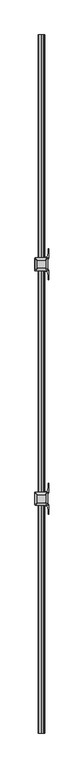
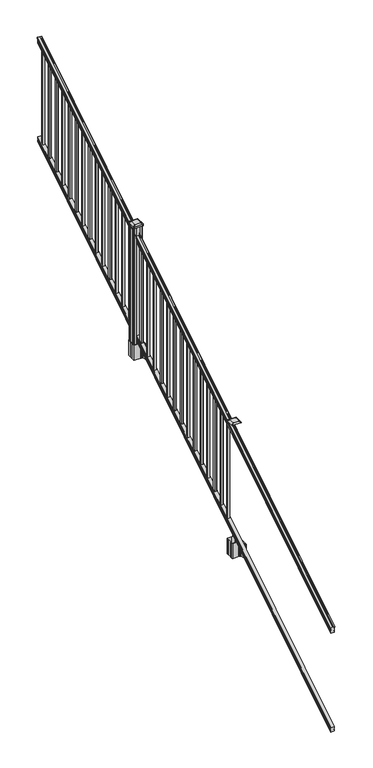
"""IFC4 building model written with IfcOpenShell, lengths in millimetres: railing geometry."""

from ifc_helpers import new_model, si_unit, point, frame, frame_2d, origin, place, context, project, spatial, polyline, circle_curve, ellipse_curve, trimmed, segment, composite_curve, outline, extrude, faceted_brep, source, transform, mapped, element, save
from ifc_brep_helpers import plane_surface, cylinder_surface, revolved_surface, extruded_surface, advanced_brep


def railing_a22fd58b(model_context):
    return source(origin(), model_context, "Body", "SolidModel", [
        advanced_brep(
        [(11578.8754996, -7669.8194681, 1285.6070492), (11581.4493284, -7669.8194681, 1285.6070492), (11581.4493284, -7669.8194681, 1273.0394336), (11580.4333284, -7669.8194681, 1271.841318), (11580.4333284, -7669.8194681, 1257.3), (11612.1833284, -7669.8194681, 1257.3), (11612.1833284, -7669.8194681, 1272.0274214), (11611.1673284, -7669.8194681, 1273.225537), (11611.1673284, -7669.8194681, 1285.6070492), (11613.7411571, -7669.8194681, 1285.6070492), (11613.7411571, -7669.8194681, 1287.8335658), (11614.8713434, -7669.8194681, 1289.6758543), (11614.8713434, -7669.8194681, 1298.1876358), (11614.222087, -7669.8194681, 1301.0572588), (11616.722087, -7669.8194681, 1306.1635509), (11618.1314295, -7669.8194681, 1308.1442021), (11618.5333285, -7669.8194681, 1309.4469579), (11618.5333284, -7669.8194681, 1311.0274846), (11616.9798811, -7669.8194681, 1312.8593836), (11596.3083284, -7669.8194681, 1312.8593836), (11575.6367756, -7669.8194681, 1312.8593836), (11574.0833284, -7669.8194681, 1311.0274846), (11574.0833284, -7669.8194681, 1309.4469579), (11574.4852273, -7669.8194681, 1308.1442021), (11575.8945697, -7669.8194681, 1306.1635509), (11578.3945697, -7669.8194681, 1301.0572588), (11577.7453133, -7669.8194681, 1298.1876358), (11577.7453133, -7669.8194681, 1289.6758543), (11578.8754996, -7669.8194681, 1287.8335658), (11578.8754996, -2793.0194681, 4333.6070492), (11578.8754996, -2793.0194681, 4335.8335658), (11577.7453133, -2793.0194681, 4337.6758543), (11577.7453133, -2793.0194681, 4346.1876358), (11578.3945697, -2793.0194681, 4349.0572588), (11575.8945697, -2793.0194681, 4354.1635509), (11574.4852273, -2793.0194681, 4356.1442021), (11574.0833283, -2793.0194681, 4357.4469579), (11574.0833284, -2793.0194681, 4359.0274846), (11575.6367756, -2793.0194681, 4360.8593836), (11596.3083284, -2793.0194681, 4360.8593836), (11616.9798811, -2793.0194681, 4360.8593836), (11618.5333284, -2793.0194681, 4359.0274846), (11618.5333284, -2793.0194681, 4357.4469579), (11618.1314295, -2793.0194681, 4356.1442021), (11616.722087, -2793.0194681, 4354.1635509), (11614.222087, -2793.0194681, 4349.0572588), (11614.8713434, -2793.0194681, 4346.1876358), (11614.8713434, -2793.0194681, 4337.6758543), (11613.7411571, -2793.0194681, 4335.8335658), (11613.7411571, -2793.0194681, 4333.6070492), (11611.1673284, -2793.0194681, 4333.6070492), (11611.1673284, -2793.0194681, 4321.225537), (11612.1833284, -2793.0194681, 4320.0274214), (11612.1833284, -2793.0194681, 4305.3), (11580.4333284, -2793.0194681, 4305.3), (11580.4333284, -2793.0194681, 4319.841318), (11581.4493284, -2793.0194681, 4321.0394336), (11581.4493284, -2793.0194681, 4333.6070492)],
        [
            (0, 1, ellipse_curve(frame((11580.162414, -7669.8194681, 1285.6070492), z_axis=(0.0, -1.0, 0.0), x_axis=(0.0, 0.0, -1.0)), 1.5175907, 1.2869144)),
            (1, 2),
            (2, 3),
            (3, 4),
            (4, 5),
            (5, 6),
            (6, 7),
            (7, 8),
            (8, 9, ellipse_curve(frame((11612.4542427, -7669.8194681, 1285.6070492), z_axis=(0.0, -1.0, 0.0), x_axis=(0.0, 0.0, -1.0)), 1.5175907, 1.2869144)),
            (9, 10),
            (10, 11, ellipse_curve(frame((11607.4264038, -7669.8194681, 1294.6239405), z_axis=(0.0, -1.0, 0.0), x_axis=(0.0, 0.0, -1.0)), 10.0777926, 8.545951)),
            (11, 12, ellipse_curve(frame((11607.8634668, -7669.8194681, 1293.9317451), z_axis=(0.0, -1.0, 0.0), x_axis=(0.0, 0.0, -1.0)), 9.2955186, 7.882584)),
            (12, 13, ellipse_curve(frame((11618.3767909, -7669.8194681, 1300.8275077), z_axis=(0.0, 1.0, 0.0), x_axis=(0.0, 0.0, 1.0)), 4.9048088, 4.1592695)),
            (13, 14, ellipse_curve(frame((11619.6640975, -7669.8194681, 1300.7563208), z_axis=(0.0, 1.0, 0.0), x_axis=(0.0, 0.0, 1.0)), 6.4245301, 5.4479907)),
            (14, 15, ellipse_curve(frame((11618.430939, -7669.8194681, 1306.1602333), z_axis=(0.0, 1.0, 0.0), x_axis=(0.0, 0.0, 1.0)), 2.0151625, 1.7088543)),
            (15, 16, ellipse_curve(frame((11616.8140389, -7669.8194681, 1309.4469579), z_axis=(0.0, -1.0, 0.0), x_axis=(0.0, 0.0, -1.0)), 2.0274681, 1.7192895)),
            (16, 17),
            (17, 18, ellipse_curve(frame((11616.9798811, -7669.8194681, 1311.0274846), z_axis=(0.0, -1.0, 0.0), x_axis=(0.0, 0.0, -1.0)), 1.831899, 1.5534472)),
            (18, 19),
            (19, 20),
            (20, 21, ellipse_curve(frame((11575.6367756, -7669.8194681, 1311.0274846), z_axis=(0.0, -1.0, 0.0), x_axis=(0.0, 0.0, -1.0)), 1.831899, 1.5534472)),
            (21, 22),
            (22, 23, ellipse_curve(frame((11575.8026178, -7669.8194681, 1309.4469579), z_axis=(0.0, -1.0, 0.0), x_axis=(0.0, 0.0, -1.0)), 2.0274681, 1.7192895)),
            (23, 24, ellipse_curve(frame((11574.1857177, -7669.8194681, 1306.1602333), z_axis=(0.0, 1.0, 0.0), x_axis=(0.0, 0.0, 1.0)), 2.0151625, 1.7088543)),
            (24, 25, ellipse_curve(frame((11572.9525593, -7669.8194681, 1300.7563208), z_axis=(0.0, 1.0, 0.0), x_axis=(0.0, 0.0, 1.0)), 6.4245301, 5.4479907)),
            (25, 26, ellipse_curve(frame((11574.2398658, -7669.8194681, 1300.8275077), z_axis=(0.0, 1.0, 0.0), x_axis=(0.0, 0.0, 1.0)), 4.9048088, 4.1592695)),
            (26, 27, ellipse_curve(frame((11584.75319, -7669.8194681, 1293.9317451), z_axis=(0.0, -1.0, 0.0), x_axis=(0.0, 0.0, -1.0)), 9.2955186, 7.882584)),
            (27, 28, ellipse_curve(frame((11585.1902529, -7669.8194681, 1294.6239405), z_axis=(0.0, -1.0, 0.0), x_axis=(0.0, 0.0, -1.0)), 10.0777926, 8.545951)),
            (28, 0),
            (29, 30),
            (30, 31, ellipse_curve(frame((11585.1902529, -2793.0194681, 4342.6239405), z_axis=(0.0, 1.0, 0.0), x_axis=(0.0, 0.0, -1.0)), 10.0777926, 8.545951)),
            (31, 32, ellipse_curve(frame((11584.75319, -2793.0194681, 4341.9317451), z_axis=(0.0, 1.0, 0.0), x_axis=(0.0, 0.0, -1.0)), 9.2955186, 7.882584)),
            (32, 33, ellipse_curve(frame((11574.2398658, -2793.0194681, 4348.8275077), z_axis=(0.0, -1.0, 0.0), x_axis=(0.0, 0.0, 1.0)), 4.9048088, 4.1592695)),
            (33, 34, ellipse_curve(frame((11572.9525593, -2793.0194681, 4348.7563208), z_axis=(0.0, -1.0, 0.0), x_axis=(0.0, 0.0, 1.0)), 6.4245301, 5.4479907)),
            (34, 35, ellipse_curve(frame((11574.1857177, -2793.0194681, 4354.1602333), z_axis=(0.0, -1.0, 0.0), x_axis=(0.0, 0.0, 1.0)), 2.0151625, 1.7088543)),
            (35, 36, ellipse_curve(frame((11575.8026178, -2793.0194681, 4357.4469579), z_axis=(0.0, 1.0, 0.0), x_axis=(0.0, 0.0, -1.0)), 2.0274681, 1.7192895)),
            (36, 37),
            (37, 38, ellipse_curve(frame((11575.6367756, -2793.0194681, 4359.0274846), z_axis=(0.0, 1.0, 0.0), x_axis=(0.0, 0.0, -1.0)), 1.831899, 1.5534472)),
            (38, 39),
            (39, 40),
            (40, 41, ellipse_curve(frame((11616.9798811, -2793.0194681, 4359.0274846), z_axis=(0.0, 1.0, 0.0), x_axis=(0.0, 0.0, -1.0)), 1.831899, 1.5534472)),
            (41, 42),
            (42, 43, ellipse_curve(frame((11616.8140389, -2793.0194681, 4357.4469579), z_axis=(0.0, 1.0, 0.0), x_axis=(0.0, 0.0, -1.0)), 2.0274681, 1.7192895)),
            (43, 44, ellipse_curve(frame((11618.430939, -2793.0194681, 4354.1602333), z_axis=(0.0, -1.0, 0.0), x_axis=(0.0, 0.0, 1.0)), 2.0151625, 1.7088543)),
            (44, 45, ellipse_curve(frame((11619.6640975, -2793.0194681, 4348.7563208), z_axis=(0.0, -1.0, 0.0), x_axis=(0.0, 0.0, 1.0)), 6.4245301, 5.4479907)),
            (45, 46, ellipse_curve(frame((11618.3767909, -2793.0194681, 4348.8275077), z_axis=(0.0, -1.0, 0.0), x_axis=(0.0, 0.0, 1.0)), 4.9048088, 4.1592695)),
            (46, 47, ellipse_curve(frame((11607.8634668, -2793.0194681, 4341.9317451), z_axis=(0.0, 1.0, 0.0), x_axis=(0.0, 0.0, -1.0)), 9.2955186, 7.882584)),
            (47, 48, ellipse_curve(frame((11607.4264038, -2793.0194681, 4342.6239405), z_axis=(0.0, 1.0, 0.0), x_axis=(0.0, 0.0, -1.0)), 10.0777926, 8.545951)),
            (48, 49),
            (49, 50, ellipse_curve(frame((11612.4542427, -2793.0194681, 4333.6070492), z_axis=(0.0, 1.0, 0.0), x_axis=(0.0, 0.0, -1.0)), 1.5175907, 1.2869144)),
            (50, 51),
            (51, 52),
            (52, 53),
            (53, 54),
            (54, 55),
            (55, 56),
            (56, 57),
            (57, 29, ellipse_curve(frame((11580.162414, -2793.0194681, 4333.6070492), z_axis=(0.0, 1.0, 0.0), x_axis=(0.0, 0.0, -1.0)), 1.5175907, 1.2869144)),
            (28, 30),
            (29, 0),
            (27, 31),
            (26, 32),
            (25, 33),
            (24, 34),
            (23, 35),
            (22, 36),
            (21, 37),
            (20, 38),
            (19, 39),
            (18, 40),
            (17, 41),
            (16, 42),
            (15, 43),
            (14, 44),
            (13, 45),
            (12, 46),
            (11, 47),
            (10, 48),
            (9, 49),
            (8, 50),
            (7, 51),
            (6, 52),
            (5, 53),
            (4, 54),
            (3, 55),
            (2, 56),
            (1, 57),
        ],
        [
            plane_surface(frame((11596.3083284, -7669.8194681, 1257.3), z_axis=(0.0, -1.0, 0.0), x_axis=(0.0, 0.0, 1.0))),
            plane_surface(frame((11596.3083284, -2793.0194681, 4305.3), z_axis=(0.0, 1.0, 0.0), x_axis=(0.0, 0.0, 1.0))),
            plane_surface(frame((11578.8754996, -7669.8194681, 1287.8335658), z_axis=(-1.0000000000000002, 0.0, 0.0), x_axis=(0.0, 0.8479983040051253, 0.5299989400031204))),
            cylinder_surface(frame((11585.1902529, -7686.5942728, 1284.1396876), z_axis=(0.0, -0.8479983040051253, -0.5299989400031204), x_axis=(1.0, 0.0, 0.0)), 8.545951),
            cylinder_surface(frame((11584.75319, -7686.2831737, 1283.641929), z_axis=(0.0, -0.8479983040051253, -0.5299989400031204), x_axis=(1.0, 0.0, 0.0)), 7.882584),
            revolved_surface(polyline([(11578.3991353, -2790.8150596503465, 4350.205262980555), (11578.3991353, -7672.023876549438, 1299.4497524191)]), (11574.2398658, -7689.3823929, 1288.6006797), (0.0, 0.8479983040051253, 0.5299989400031204)),
            revolved_surface(polyline([(11578.40055, -2790.132038835738, 4350.5609640771845), (11578.40055, -7672.7068973528085, 1298.9516775044933)]), (11572.9525593, -7689.3503988, 1288.5494891), (0.0, 0.8479983040051253, 0.5299989400031204)),
            revolved_surface(polyline([(11575.894572000001, -2792.113777099784, 4354.726290199656), (11575.894572000001, -7670.725159122471, 1305.5941764359536)]), (11574.1857177, -7691.7791235, 1292.4354487), (0.0, 0.8479983040051253, 0.5299989400031204)),
            cylinder_surface(frame((11575.8026178, -7693.2563031, 1294.798936), z_axis=(0.0, -0.8479983040051253, -0.5299989400031204), x_axis=(1.0, 0.0, 0.0)), 1.7192895),
            plane_surface(frame((11574.0833284, -7669.8194681, 1311.0274846), z_axis=(-1.0000000000000002, 0.0, 0.0), x_axis=(0.0, 0.8479983040051253, 0.5299989400031204))),
            cylinder_surface(frame((11575.6367756, -7693.9666522, 1295.9354945), z_axis=(0.0, -0.8479983040051253, -0.5299989400031204), x_axis=(1.0, 0.0, 0.0)), 1.5534472),
            plane_surface(frame((11596.3083284, -7669.8194681, 1312.8593836), z_axis=(0.0, -0.5299989400031204, 0.8479983040051253), x_axis=(0.0, 0.8479983040051253, 0.5299989400031204))),
            plane_surface(frame((11616.9798811, -7669.8194681, 1312.8593836), z_axis=(0.0, -0.5299989400031204, 0.8479983040051253), x_axis=(0.0, 0.8479983040051253, 0.5299989400031204))),
            cylinder_surface(frame((11616.9798811, -7693.9666522, 1295.9354945), z_axis=(0.0, -0.8479983040051253, -0.5299989400031204), x_axis=(-1.0, 0.0, 0.0)), 1.5534472),
            plane_surface(frame((11618.5333284, -7669.8194681, 1309.4469579), z_axis=(1.0000000000000002, 0.0, 0.0), x_axis=(0.0, 0.8479983040051253, 0.5299989400031204))),
            cylinder_surface(frame((11616.8140389, -7693.2563031, 1294.798936), z_axis=(0.0, -0.8479983040051253, -0.5299989400031204), x_axis=(-1.0, 0.0, 0.0)), 1.7192895),
            revolved_surface(polyline([(11616.722084699999, -2792.113777099784, 4354.726290199656), (11616.722084699999, -7670.725159122471, 1305.5941764359536)]), (11618.430939, -7691.7791235, 1292.4354487), (0.0, 0.8479983040051253, 0.5299989400031204)),
            revolved_surface(polyline([(11614.216106799999, -2790.132038835738, 4350.5609640771845), (11614.216106799999, -7672.7068973528085, 1298.9516775044933)]), (11619.6640975, -7689.3503988, 1288.5494891), (0.0, 0.8479983040051253, 0.5299989400031204)),
            revolved_surface(polyline([(11614.2175214, -2790.8150596503465, 4350.205262980555), (11614.2175214, -7672.023876549438, 1299.4497524191)]), (11618.3767909, -7689.3823929, 1288.6006797), (0.0, 0.8479983040051253, 0.5299989400031204)),
            cylinder_surface(frame((11607.8634668, -7686.2831737, 1283.641929), z_axis=(0.0, -0.8479983040051253, -0.5299989400031204), x_axis=(-1.0, 0.0, 0.0)), 7.882584),
            cylinder_surface(frame((11607.4264038, -7686.5942728, 1284.1396876), z_axis=(0.0, -0.8479983040051253, -0.5299989400031204), x_axis=(-1.0, 0.0, 0.0)), 8.545951),
            plane_surface(frame((11613.7411571, -7669.8194681, 1285.6070492), z_axis=(1.0, 0.0, 0.0), x_axis=(0.0, 0.8479983040051253, 0.5299989400031203))),
            cylinder_surface(frame((11612.4542427, -7682.5417374, 1277.6556309), z_axis=(0.0, -0.8479983040051253, -0.5299989400031204), x_axis=(-1.0, 0.0, 0.0)), 1.2869144),
            plane_surface(frame((11611.1673284, -7669.8194681, 1273.225537), z_axis=(1.0, 0.0, 0.0), x_axis=(0.0, 0.8479983040051252, 0.5299989400031205))),
            plane_surface(frame((11612.1833284, -7669.8194681, 1272.0274214), z_axis=(0.7071067811865426, -0.37476584449789224, 0.5996253511967193), x_axis=(0.0, 0.8479983040051253, 0.5299989400031204))),
            plane_surface(frame((11612.1833284, -7669.8194681, 1257.3), z_axis=(1.0000000000000002, 0.0, 0.0), x_axis=(0.0, 0.8479983040051253, 0.5299989400031204))),
            plane_surface(frame((11580.4333284, -7669.8194681, 1257.3), z_axis=(0.0, 0.5299989400031204, -0.8479983040051253), x_axis=(0.0, 0.8479983040051253, 0.5299989400031204))),
            plane_surface(frame((11580.4333284, -7669.8194681, 1271.841318), z_axis=(-1.0000000000000002, 0.0, 0.0), x_axis=(0.0, 0.8479983040051253, 0.5299989400031204))),
            plane_surface(frame((11581.4493284, -7669.8194681, 1273.0394336), z_axis=(-0.7071067811865404, -0.3747658444978917, 0.5996253511967224), x_axis=(0.0, 0.8479983040051253, 0.5299989400031204))),
            plane_surface(frame((11581.4493284, -7669.8194681, 1285.6070492), z_axis=(-1.0000000000000002, 0.0, 0.0), x_axis=(0.0, 0.8479983040051253, 0.5299989400031204))),
            cylinder_surface(frame((11580.162414, -7682.5417374, 1277.6556309), z_axis=(0.0, -0.8479983040051253, -0.5299989400031204), x_axis=(1.0, 0.0, 0.0)), 1.2869144),
        ],
        [
            (0, [[1, 2, 3, 4, 5, 6, 7, 8, 9, 10, 11, 12, 13, 14, 15, 16, 17, 18, 19, 20, 21, 22, 23, 24, 25, 26, 27, 28, 29]]),
            (1, [[30, 31, 32, 33, 34, 35, 36, 37, 38, 39, 40, 41, 42, 43, 44, 45, 46, 47, 48, 49, 50, 51, 52, 53, 54, 55, 56, 57, 58]]),
            (2, [[-29, 59, -30, 60]]),
            (3, [[-28, 61, -31, -59]]),
            (4, [[-27, 62, -32, -61]]),
            (5, [[-26, 63, -33, -62]]),
            (6, [[-25, 64, -34, -63]]),
            (7, [[-24, 65, -35, -64]]),
            (8, [[-23, 66, -36, -65]]),
            (9, [[-22, 67, -37, -66]]),
            (10, [[-21, 68, -38, -67]]),
            (11, [[-20, 69, -39, -68]]),
            (12, [[-19, 70, -40, -69]]),
            (13, [[-18, 71, -41, -70]]),
            (14, [[-17, 72, -42, -71]]),
            (15, [[-16, 73, -43, -72]]),
            (16, [[-15, 74, -44, -73]]),
            (17, [[-14, 75, -45, -74]]),
            (18, [[-13, 76, -46, -75]]),
            (19, [[-12, 77, -47, -76]]),
            (20, [[-11, 78, -48, -77]]),
            (21, [[-10, 79, -49, -78]]),
            (22, [[-9, 80, -50, -79]]),
            (23, [[-8, 81, -51, -80]]),
            (24, [[-7, 82, -52, -81]]),
            (25, [[-6, 83, -53, -82]]),
            (26, [[-5, 84, -54, -83]]),
            (27, [[-4, 85, -55, -84]]),
            (28, [[-3, 86, -56, -85]]),
            (29, [[-2, 87, -57, -86]]),
            (30, [[-1, -60, -58, -87]]),
        ],
    ),
        faceted_brep([(11580.3958415, -7669.8194681, 268.8045079), (11580.3958415, -7669.8194681, 254.0), (11612.1458415, -7669.8194681, 254.0), (11612.1458415, -7669.8194681, 268.7848772), (11611.1298415, -7669.8194681, 270.3748303), (11611.1298415, -7669.8194681, 282.5348741), (11612.1458415, -7669.8194681, 284.1248272), (11612.1458415, -7669.8194681, 298.9244744), (11580.3958415, -7669.8194681, 298.9244744), (11580.3958415, -7669.8194681, 284.1444579), (11581.4118415, -7669.8194681, 282.5545048), (11581.4118415, -7669.8194681, 270.338026), (11580.3958415, -2793.0194681, 3316.8045079), (11581.4118415, -2793.0194681, 3318.338026), (11581.4118415, -2793.0194681, 3330.5545048), (11580.3958415, -2793.0194681, 3332.1444579), (11580.3958415, -2793.0194681, 3346.9244744), (11612.1458415, -2793.0194681, 3346.9244744), (11612.1458415, -2793.0194681, 3332.1248272), (11611.1298415, -2793.0194681, 3330.5348741), (11611.1298415, -2793.0194681, 3318.3748303), (11612.1458415, -2793.0194681, 3316.7848772), (11612.1458415, -2793.0194681, 3302.0), (11580.3958415, -2793.0194681, 3302.0)], [[[0, 1, 2, 3, 4, 5, 6, 7, 8, 9, 10, 11]], [[12, 13, 14, 15, 16, 17, 18, 19, 20, 21, 22, 23]], [[0, 11, 13, 12]], [[11, 10, 14, 13]], [[10, 9, 15, 14]], [[9, 8, 16, 15]], [[8, 7, 17, 16]], [[7, 6, 18, 17]], [[6, 5, 19, 18]], [[5, 4, 20, 19]], [[4, 3, 21, 20]], [[3, 2, 22, 21]], [[2, 1, 23, 22]], [[1, 0, 12, 23]]]),
        extrude(outline(polyline([(11586.7833284, -2862.9964681), (11586.7833284, -2843.9464681), (11605.8333284, -2843.9464681), (11605.8333284, -2862.9964681), (11586.7833284, -2862.9964681)]), holes=[polyline([(11587.1802034, -2862.5995931), (11605.4364534, -2862.5995931), (11605.4364534, -2844.3433431), (11587.1802034, -2844.3433431), (11587.1802034, -2862.5995931)])]), frame((0.0, 0.0, 3302.3133781), z_axis=(0.0, 0.0, 1.0), x_axis=(1.0, 0.0, 0.0)), (0.0, 0.0, 1.0), 965.2041219),
        extrude(outline(polyline([(11586.7833284, -2974.2484681), (11586.7833284, -2955.1984681), (11605.8333284, -2955.1984681), (11605.8333284, -2974.2484681), (11586.7833284, -2974.2484681)]), holes=[polyline([(11587.1802034, -2973.8515931), (11605.4364534, -2973.8515931), (11605.4364534, -2955.5953431), (11587.1802034, -2955.5953431), (11587.1802034, -2973.8515931)])]), frame((0.0, 0.0, 3232.7808781), z_axis=(0.0, 0.0, 1.0), x_axis=(1.0, 0.0, 0.0)), (0.0, 0.0, 1.0), 965.2041219),
        extrude(outline(polyline([(11586.7833284, -3085.5004681), (11586.7833284, -3066.4504681), (11605.8333284, -3066.4504681), (11605.8333284, -3085.5004681), (11586.7833284, -3085.5004681)]), holes=[polyline([(11587.1802034, -3085.1035931), (11605.4364534, -3085.1035931), (11605.4364534, -3066.8473431), (11587.1802034, -3066.8473431), (11587.1802034, -3085.1035931)])]), frame((0.0, 0.0, 3163.2483781), z_axis=(0.0, 0.0, 1.0), x_axis=(1.0, 0.0, 0.0)), (0.0, 0.0, 1.0), 965.2041219),
        extrude(outline(polyline([(11586.7833284, -3196.7524681), (11586.7833284, -3177.7024681), (11605.8333284, -3177.7024681), (11605.8333284, -3196.7524681), (11586.7833284, -3196.7524681)]), holes=[polyline([(11587.1802034, -3196.3555931), (11605.4364534, -3196.3555931), (11605.4364534, -3178.0993431), (11587.1802034, -3178.0993431), (11587.1802034, -3196.3555931)])]), frame((0.0, 0.0, 3093.7158781), z_axis=(0.0, 0.0, 1.0), x_axis=(1.0, 0.0, 0.0)), (0.0, 0.0, 1.0), 965.2041219),
        extrude(outline(polyline([(11586.7833284, -3308.0044681), (11586.7833284, -3288.9544681), (11605.8333284, -3288.9544681), (11605.8333284, -3308.0044681), (11586.7833284, -3308.0044681)]), holes=[polyline([(11587.1802034, -3307.6075931), (11605.4364534, -3307.6075931), (11605.4364534, -3289.3513431), (11587.1802034, -3289.3513431), (11587.1802034, -3307.6075931)])]), frame((0.0, 0.0, 3024.1833781), z_axis=(0.0, 0.0, 1.0), x_axis=(1.0, 0.0, 0.0)), (0.0, 0.0, 1.0), 965.2041219),
        extrude(outline(polyline([(11586.7833284, -3419.2564681), (11586.7833284, -3400.2064681), (11605.8333284, -3400.2064681), (11605.8333284, -3419.2564681), (11586.7833284, -3419.2564681)]), holes=[polyline([(11587.1802034, -3418.8595931), (11605.4364534, -3418.8595931), (11605.4364534, -3400.6033431), (11587.1802034, -3400.6033431), (11587.1802034, -3418.8595931)])]), frame((0.0, 0.0, 2954.6508781), z_axis=(0.0, 0.0, 1.0), x_axis=(1.0, 0.0, 0.0)), (0.0, 0.0, 1.0), 965.2041219),
        extrude(outline(polyline([(11586.7833284, -3530.5084681), (11586.7833284, -3511.4584681), (11605.8333284, -3511.4584681), (11605.8333284, -3530.5084681), (11586.7833284, -3530.5084681)]), holes=[polyline([(11587.1802034, -3530.1115931), (11605.4364534, -3530.1115931), (11605.4364534, -3511.8553431), (11587.1802034, -3511.8553431), (11587.1802034, -3530.1115931)])]), frame((0.0, 0.0, 2885.1183781), z_axis=(0.0, 0.0, 1.0), x_axis=(1.0, 0.0, 0.0)), (0.0, 0.0, 1.0), 965.2041219),
        extrude(outline(polyline([(11586.7833284, -3641.7604681), (11586.7833284, -3622.7104681), (11605.8333284, -3622.7104681), (11605.8333284, -3641.7604681), (11586.7833284, -3641.7604681)]), holes=[polyline([(11587.1802034, -3641.3635931), (11605.4364534, -3641.3635931), (11605.4364534, -3623.1073431), (11587.1802034, -3623.1073431), (11587.1802034, -3641.3635931)])]), frame((0.0, 0.0, 2815.5858781), z_axis=(0.0, 0.0, 1.0), x_axis=(1.0, 0.0, 0.0)), (0.0, 0.0, 1.0), 965.2041219),
        extrude(outline(polyline([(11586.7833284, -3753.0124681), (11586.7833284, -3733.9624681), (11605.8333284, -3733.9624681), (11605.8333284, -3753.0124681), (11586.7833284, -3753.0124681)]), holes=[polyline([(11587.1802034, -3752.6155931), (11605.4364534, -3752.6155931), (11605.4364534, -3734.3593431), (11587.1802034, -3734.3593431), (11587.1802034, -3752.6155931)])]), frame((0.0, 0.0, 2746.0533781), z_axis=(0.0, 0.0, 1.0), x_axis=(1.0, 0.0, 0.0)), (0.0, 0.0, 1.0), 965.2041219),
        extrude(outline(polyline([(11586.7833284, -3864.2644681), (11586.7833284, -3845.2144681), (11605.8333284, -3845.2144681), (11605.8333284, -3864.2644681), (11586.7833284, -3864.2644681)]), holes=[polyline([(11587.1802034, -3863.8675931), (11605.4364534, -3863.8675931), (11605.4364534, -3845.6113431), (11587.1802034, -3845.6113431), (11587.1802034, -3863.8675931)])]), frame((0.0, 0.0, 2676.5208781), z_axis=(0.0, 0.0, 1.0), x_axis=(1.0, 0.0, 0.0)), (0.0, 0.0, 1.0), 965.2041219),
        extrude(outline(polyline([(11586.7833284, -3975.5164681), (11586.7833284, -3956.4664681), (11605.8333284, -3956.4664681), (11605.8333284, -3975.5164681), (11586.7833284, -3975.5164681)]), holes=[polyline([(11587.1802034, -3975.1195931), (11605.4364534, -3975.1195931), (11605.4364534, -3956.8633431), (11587.1802034, -3956.8633431), (11587.1802034, -3975.1195931)])]), frame((0.0, 0.0, 2606.9883781), z_axis=(0.0, 0.0, 1.0), x_axis=(1.0, 0.0, 0.0)), (0.0, 0.0, 1.0), 965.2041219),
        extrude(outline(polyline([(11586.7833284, -4086.7684681), (11586.7833284, -4067.7184681), (11605.8333284, -4067.7184681), (11605.8333284, -4086.7684681), (11586.7833284, -4086.7684681)]), holes=[polyline([(11587.1802034, -4086.3715931), (11605.4364534, -4086.3715931), (11605.4364534, -4068.1153431), (11587.1802034, -4068.1153431), (11587.1802034, -4086.3715931)])]), frame((0.0, 0.0, 2537.4558781), z_axis=(0.0, 0.0, 1.0), x_axis=(1.0, 0.0, 0.0)), (0.0, 0.0, 1.0), 965.2041219),
        extrude(outline(polyline([(11586.7833284, -4198.0204681), (11586.7833284, -4178.9704681), (11605.8333284, -4178.9704681), (11605.8333284, -4198.0204681), (11586.7833284, -4198.0204681)]), holes=[polyline([(11587.1802034, -4197.6235931), (11605.4364534, -4197.6235931), (11605.4364534, -4179.3673431), (11587.1802034, -4179.3673431), (11587.1802034, -4197.6235931)])]), frame((0.0, 0.0, 2467.9233781), z_axis=(0.0, 0.0, 1.0), x_axis=(1.0, 0.0, 0.0)), (0.0, 0.0, 1.0), 965.2041219),
        extrude(outline(polyline([(11586.7833284, -4309.2724681), (11586.7833284, -4290.2224681), (11605.8333284, -4290.2224681), (11605.8333284, -4309.2724681), (11586.7833284, -4309.2724681)]), holes=[polyline([(11587.1802034, -4308.8755931), (11605.4364534, -4308.8755931), (11605.4364534, -4290.6193431), (11587.1802034, -4290.6193431), (11587.1802034, -4308.8755931)])]), frame((0.0, 0.0, 2398.3908781), z_axis=(0.0, 0.0, 1.0), x_axis=(1.0, 0.0, 0.0)), (0.0, 0.0, 1.0), 965.2041219),
        extrude(outline(composite_curve([segment(polyline([(11553.5728284, -4412.637563), (11553.5728284, -4377.8653732), (11551.9853284, -4377.1033732), (11551.9853284, -4354.3014452), (11555.3583054, -4350.9284681), (11616.8179763, -4350.9284681), (11616.8179763, -4350.0077181), (11622.1355201, -4350.0077181), (11622.1355201, -4348.5534634), (11627.2200498, -4348.5534634), (11627.2200498, -4347.2694396), (11628.8873221, -4347.2694396)]), True, "CONTINUOUS"), segment(trimmed(circle_curve(frame_2d((11628.8873221, -4340.2099797)), 7.0594599), [point((11628.8873221, -4347.2694396))], [point((11635.6545849, -4342.2199864))], True, "CARTESIAN"), True, "CONTINUOUS"), segment(polyline([(11635.6545849, -4342.2199864), (11643.5287792, -4315.7092573)]), True, "CONTINUOUS"), segment(trimmed(circle_curve(frame_2d((11588.7442659, -4299.4372076)), 57.15), [point((11643.5287792, -4315.7092573))], [point((11645.8942659, -4299.4372076))], True, "CARTESIAN"), True, "CONTINUOUS"), segment(polyline([(11645.8942659, -4299.4372076), (11645.8942659, -4287.4284681), (11648.8942659, -4287.4284681), (11648.8942659, -4352.5159681), (11640.6313284, -4363.8542594), (11640.6313284, -4377.1033732), (11639.0438284, -4377.8653732), (11639.0438284, -4412.637563), (11640.6313284, -4413.399563), (11640.6313284, -4426.6486768), (11648.8942659, -4437.9869681), (11648.8942659, -4503.0744681), (11645.8942659, -4503.0744681), (11645.8942659, -4491.0657285)]), True, "CONTINUOUS"), segment(trimmed(circle_curve(frame_2d((11588.7442659, -4491.0657285)), 57.15), [point((11645.8942659, -4491.0657285))], [point((11643.5287792, -4474.7936789))], True, "CARTESIAN"), True, "CONTINUOUS"), segment(polyline([(11643.5287792, -4474.7936789), (11635.6545849, -4448.2829498)]), True, "CONTINUOUS"), segment(trimmed(circle_curve(frame_2d((11628.8873221, -4450.2929565)), 7.0594599), [point((11635.6545849, -4448.2829498))], [point((11628.8873221, -4443.2334966))], True, "CARTESIAN"), True, "CONTINUOUS"), segment(polyline([(11628.8873221, -4443.2334966), (11627.2200498, -4443.2334966), (11627.2200498, -4441.9494728), (11622.1355201, -4441.9494728), (11622.1355201, -4440.4952181), (11616.8179763, -4440.4952181), (11616.8179763, -4439.5744681), (11555.3583054, -4439.5744681), (11551.9853284, -4436.201491), (11551.9853284, -4413.399563), (11553.5728284, -4412.637563)]), True, "CONTINUOUS")], self_intersect=False), holes=[polyline([(11637.5833284, -4355.5639681), (11635.9958284, -4353.9764681), (11599.0715458, -4353.9764681), (11556.6208284, -4353.9764681), (11555.0333284, -4355.5639681), (11555.0333284, -4434.9389681), (11556.6208284, -4436.5264681), (11599.0715458, -4436.5264681), (11635.9958284, -4436.5264681), (11637.5833284, -4434.9389681), (11637.5833284, -4355.5639681)])]), frame((0.0, 0.0, 2084.705), z_axis=(0.0, 0.0, 1.0), x_axis=(1.0, 0.0, 0.0)), (0.0, 0.0, 1.0), 152.4),
        advanced_brep(
        [(11622.1052034, -4424.2233431, 3449.444263), (11625.2802034, -4421.0483431, 3449.444263), (11625.2802034, -4369.4545931, 3449.444263), (11622.1052034, -4366.2795931, 3449.444263), (11570.5114534, -4366.2795931, 3449.444263), (11567.3364534, -4369.4545931, 3449.444263), (11567.3364534, -4421.0483431, 3449.444263), (11570.5114534, -4424.2233431, 3449.444263), (11638.3770784, -4440.4952181, 3438.141263), (11554.2395784, -4440.4952181, 3438.141263), (11551.0645784, -4437.3202181, 3438.141263), (11551.0645784, -4353.1827181, 3438.141263), (11554.2395784, -4350.0077181, 3438.141263), (11638.3770784, -4350.0077181, 3438.141263), (11641.5520784, -4353.1827181, 3438.141263), (11641.5520784, -4437.3202181, 3438.141263)],
        [
            (0, 1, circle_curve(frame((11622.1052034, -4421.0483431, 3449.444263), z_axis=(0.0, 0.0, 1.0), x_axis=(0.0, 1.0, 0.0)), 3.175)),
            (1, 2),
            (2, 3, circle_curve(frame((11622.1052034, -4369.4545931, 3449.444263), z_axis=(0.0, 0.0, 1.0), x_axis=(0.0, 1.0, 0.0)), 3.175)),
            (3, 4),
            (4, 5, circle_curve(frame((11570.5114534, -4369.4545931, 3449.444263), z_axis=(0.0, 0.0, 1.0), x_axis=(0.0, 1.0, 0.0)), 3.175)),
            (5, 6),
            (6, 7, circle_curve(frame((11570.5114534, -4421.0483431, 3449.444263), z_axis=(0.0, 0.0, 1.0), x_axis=(0.0, 1.0, 0.0)), 3.175)),
            (7, 0),
            (8, 9),
            (9, 10, circle_curve(frame((11554.2395784, -4437.3202181, 3438.141263), z_axis=(0.0, 0.0, -1.0), x_axis=(0.0, 1.0, 0.0)), 3.175)),
            (10, 11),
            (11, 12, circle_curve(frame((11554.2395784, -4353.1827181, 3438.141263), z_axis=(0.0, 0.0, -1.0), x_axis=(0.0, 1.0, 0.0)), 3.175)),
            (12, 13),
            (13, 14, circle_curve(frame((11638.3770784, -4353.1827181, 3438.141263), z_axis=(0.0, 0.0, -1.0), x_axis=(0.0, 1.0, 0.0)), 3.175)),
            (14, 15),
            (15, 8, circle_curve(frame((11638.3770784, -4437.3202181, 3438.141263), z_axis=(0.0, 0.0, -1.0), x_axis=(0.0, 1.0, 0.0)), 3.175)),
            (15, 1),
            (0, 8),
            (14, 2),
            (13, 3),
            (12, 4),
            (11, 5),
            (10, 6),
            (9, 7),
        ],
        [
            plane_surface(frame((11596.3083284, -4395.2514681, 3449.444263), z_axis=(0.0, 0.0, 1.0), x_axis=(1.0, 0.0, 0.0))),
            plane_surface(frame((11596.3083284, -4395.2514681, 3438.141263), z_axis=(0.0, 0.0, -1.0), x_axis=(1.0, 0.0, 0.0))),
            extruded_surface(trimmed(circle_curve(frame((11638.3770784, -4437.3202181, 3438.141263), z_axis=(0.0, 0.0, 1.0), x_axis=(0.0, 1.0, 0.0)), 3.175), [point((11638.3770784, -4440.4952181, 3438.141263))], [point((11641.5520784, -4437.3202181, 3438.141263))], True, "CARTESIAN"), (-16.271875000000364, 16.271874999999454, 11.302999999999884), 25.637972638865996),
            plane_surface(frame((11641.5520784, -4395.2514681, 3438.141263), z_axis=(0.5705009161540778, 0.0, 0.8212969649690408), x_axis=(0.0, 1.0, 0.0))),
            extruded_surface(trimmed(circle_curve(frame((11638.3770784, -4353.1827181, 3438.141263), z_axis=(0.0, 0.0, 1.0), x_axis=(0.0, 1.0, 0.0)), 3.175), [point((11641.5520784, -4353.1827181, 3438.141263))], [point((11638.3770784, -4350.0077181, 3438.141263))], True, "CARTESIAN"), (-16.271875000000364, -16.271875000000364, 11.302999999999884), 25.63797263886657),
            plane_surface(frame((11596.3083284, -4350.0077181, 3438.141263), z_axis=(0.0, 0.5705009161540291, 0.8212969649690747), x_axis=(-1.0, 0.0, 0.0))),
            extruded_surface(trimmed(circle_curve(frame((11554.2395784, -4353.1827181, 3438.141263), z_axis=(0.0, 0.0, 1.0), x_axis=(0.0, 1.0, 0.0)), 3.175), [point((11554.2395784, -4350.0077181, 3438.141263))], [point((11551.0645784, -4353.1827181, 3438.141263))], True, "CARTESIAN"), (16.271875000000364, -16.271875000000364, 11.302999999999884), 25.63797263886657),
            plane_surface(frame((11551.0645784, -4395.2514681, 3438.141263), z_axis=(-0.5705009161540142, 0.0, 0.8212969649690851), x_axis=(0.0, -1.0, 0.0))),
            extruded_surface(trimmed(circle_curve(frame((11554.2395784, -4437.3202181, 3438.141263), z_axis=(0.0, 0.0, 1.0), x_axis=(0.0, 1.0, 0.0)), 3.175), [point((11551.0645784, -4437.3202181, 3438.141263))], [point((11554.2395784, -4440.4952181, 3438.141263))], True, "CARTESIAN"), (16.271875000000364, 16.271874999999454, 11.302999999999884), 25.637972638865996),
            plane_surface(frame((11596.3083284, -4440.4952181, 3438.141263), z_axis=(0.0, -0.570500916154034, 0.8212969649690713), x_axis=(1.0, 0.0, 0.0))),
        ],
        [
            (0, [[1, 2, 3, 4, 5, 6, 7, 8]]),
            (1, [[9, 10, 11, 12, 13, 14, 15, 16]]),
            (2, [[-16, 17, -1, 18]]),
            (3, [[-15, 19, -2, -17]]),
            (4, [[-14, 20, -3, -19]]),
            (5, [[-13, 21, -4, -20]]),
            (6, [[-12, 22, -5, -21]]),
            (7, [[-11, 23, -6, -22]]),
            (8, [[-10, 24, -7, -23]]),
            (9, [[-9, -18, -8, -24]]),
        ],
    ),
        extrude(outline(composite_curve([segment(polyline([(11638.3770784, -4440.4952181), (11554.2395784, -4440.4952181)]), True, "CONTINUOUS"), segment(trimmed(circle_curve(frame_2d((11554.2395784, -4437.3202181)), 3.175), [point((11554.2395784, -4440.4952181))], [point((11551.0645784, -4437.3202181))], False, "CARTESIAN"), True, "CONTINUOUS"), segment(polyline([(11551.0645784, -4437.3202181), (11551.0645784, -4353.1827181)]), True, "CONTINUOUS"), segment(trimmed(circle_curve(frame_2d((11554.2395784, -4353.1827181)), 3.175), [point((11551.0645784, -4353.1827181))], [point((11554.2395784, -4350.0077181))], False, "CARTESIAN"), True, "CONTINUOUS"), segment(polyline([(11554.2395784, -4350.0077181), (11638.3770784, -4350.0077181)]), True, "CONTINUOUS"), segment(trimmed(circle_curve(frame_2d((11638.3770784, -4353.1827181)), 3.175), [point((11638.3770784, -4350.0077181))], [point((11641.5520784, -4353.1827181))], False, "CARTESIAN"), True, "CONTINUOUS"), segment(polyline([(11641.5520784, -4353.1827181), (11641.5520784, -4437.3202181)]), True, "CONTINUOUS"), segment(trimmed(circle_curve(frame_2d((11638.3770784, -4437.3202181)), 3.175), [point((11641.5520784, -4437.3202181))], [point((11638.3770784, -4440.4952181))], False, "CARTESIAN"), True, "CONTINUOUS")], self_intersect=False)), frame((0.0, 0.0, 3420.869263), z_axis=(0.0, 0.0, 1.0), x_axis=(1.0, 0.0, 0.0)), (0.0, 0.0, 1.0), 17.272),
        extrude(outline(polyline([(11635.9958284, -4436.5264681), (11616.3743284, -4436.5264681), (11615.6123284, -4434.9389681), (11577.0043284, -4434.9389681), (11576.2423284, -4436.5264681), (11556.6208284, -4436.5264681), (11555.0333284, -4434.9389681), (11555.0333284, -4415.3174681), (11556.6208284, -4414.5554681), (11556.6208284, -4375.9474681), (11555.0333284, -4375.1854681), (11555.0333284, -4355.5639681), (11556.6208284, -4353.9764681), (11576.2423284, -4353.9764681), (11577.0043284, -4355.5639681), (11615.6123284, -4355.5639681), (11616.3743284, -4353.9764681), (11635.9958284, -4353.9764681), (11637.5833284, -4355.5639681), (11637.5833284, -4375.1854681), (11635.9958284, -4375.9474681), (11635.9958284, -4414.5554681), (11637.5833284, -4415.3174681), (11637.5833284, -4434.9389681), (11635.9958284, -4436.5264681)])), frame((0.0, 0.0, 2237.105), z_axis=(0.0, 0.0, 1.0), x_axis=(1.0, 0.0, 0.0)), (0.0, 0.0, 1.0), 1183.764263),
        extrude(outline(polyline([(11586.7833284, -4500.2804681), (11586.7833284, -4481.2304681), (11605.8333284, -4481.2304681), (11605.8333284, -4500.2804681), (11586.7833284, -4500.2804681)]), holes=[polyline([(11587.1802034, -4499.8835931), (11605.4364534, -4499.8835931), (11605.4364534, -4481.6273431), (11587.1802034, -4481.6273431), (11587.1802034, -4499.8835931)])]), frame((0.0, 0.0, 2279.0108781), z_axis=(0.0, 0.0, 1.0), x_axis=(1.0, 0.0, 0.0)), (0.0, 0.0, 1.0), 965.2041219),
        extrude(outline(polyline([(11586.7833284, -4611.5324681), (11586.7833284, -4592.4824681), (11605.8333284, -4592.4824681), (11605.8333284, -4611.5324681), (11586.7833284, -4611.5324681)]), holes=[polyline([(11587.1802034, -4611.1355931), (11605.4364534, -4611.1355931), (11605.4364534, -4592.8793431), (11587.1802034, -4592.8793431), (11587.1802034, -4611.1355931)])]), frame((0.0, 0.0, 2209.4783781), z_axis=(0.0, 0.0, 1.0), x_axis=(1.0, 0.0, 0.0)), (0.0, 0.0, 1.0), 965.2041219),
        extrude(outline(polyline([(11586.7833284, -4722.7844681), (11586.7833284, -4703.7344681), (11605.8333284, -4703.7344681), (11605.8333284, -4722.7844681), (11586.7833284, -4722.7844681)]), holes=[polyline([(11587.1802034, -4722.3875931), (11605.4364534, -4722.3875931), (11605.4364534, -4704.1313431), (11587.1802034, -4704.1313431), (11587.1802034, -4722.3875931)])]), frame((0.0, 0.0, 2139.9458781), z_axis=(0.0, 0.0, 1.0), x_axis=(1.0, 0.0, 0.0)), (0.0, 0.0, 1.0), 965.2041219),
        extrude(outline(polyline([(11586.7833284, -4834.0364681), (11586.7833284, -4814.9864681), (11605.8333284, -4814.9864681), (11605.8333284, -4834.0364681), (11586.7833284, -4834.0364681)]), holes=[polyline([(11587.1802034, -4833.6395931), (11605.4364534, -4833.6395931), (11605.4364534, -4815.3833431), (11587.1802034, -4815.3833431), (11587.1802034, -4833.6395931)])]), frame((0.0, 0.0, 2070.4133781), z_axis=(0.0, 0.0, 1.0), x_axis=(1.0, 0.0, 0.0)), (0.0, 0.0, 1.0), 965.2041219),
        extrude(outline(polyline([(11586.7833284, -4945.2884681), (11586.7833284, -4926.2384681), (11605.8333284, -4926.2384681), (11605.8333284, -4945.2884681), (11586.7833284, -4945.2884681)]), holes=[polyline([(11587.1802034, -4944.8915931), (11605.4364534, -4944.8915931), (11605.4364534, -4926.6353431), (11587.1802034, -4926.6353431), (11587.1802034, -4944.8915931)])]), frame((0.0, 0.0, 2000.8808781), z_axis=(0.0, 0.0, 1.0), x_axis=(1.0, 0.0, 0.0)), (0.0, 0.0, 1.0), 965.2041219),
        extrude(outline(polyline([(11586.7833284, -5056.5404681), (11586.7833284, -5037.4904681), (11605.8333284, -5037.4904681), (11605.8333284, -5056.5404681), (11586.7833284, -5056.5404681)]), holes=[polyline([(11587.1802034, -5056.1435931), (11605.4364534, -5056.1435931), (11605.4364534, -5037.8873431), (11587.1802034, -5037.8873431), (11587.1802034, -5056.1435931)])]), frame((0.0, 0.0, 1931.3483781), z_axis=(0.0, 0.0, 1.0), x_axis=(1.0, 0.0, 0.0)), (0.0, 0.0, 1.0), 965.2041219),
        extrude(outline(polyline([(11586.7833284, -5167.7924681), (11586.7833284, -5148.7424681), (11605.8333284, -5148.7424681), (11605.8333284, -5167.7924681), (11586.7833284, -5167.7924681)]), holes=[polyline([(11587.1802034, -5167.3955931), (11605.4364534, -5167.3955931), (11605.4364534, -5149.1393431), (11587.1802034, -5149.1393431), (11587.1802034, -5167.3955931)])]), frame((0.0, 0.0, 1861.8158781), z_axis=(0.0, 0.0, 1.0), x_axis=(1.0, 0.0, 0.0)), (0.0, 0.0, 1.0), 965.2041219),
        extrude(outline(polyline([(11586.7833284, -5279.0444681), (11586.7833284, -5259.9944681), (11605.8333284, -5259.9944681), (11605.8333284, -5279.0444681), (11586.7833284, -5279.0444681)]), holes=[polyline([(11587.1802034, -5278.6475931), (11605.4364534, -5278.6475931), (11605.4364534, -5260.3913431), (11587.1802034, -5260.3913431), (11587.1802034, -5278.6475931)])]), frame((0.0, 0.0, 1792.2833781), z_axis=(0.0, 0.0, 1.0), x_axis=(1.0, 0.0, 0.0)), (0.0, 0.0, 1.0), 965.2041219),
        extrude(outline(polyline([(11586.7833284, -5390.2964681), (11586.7833284, -5371.2464681), (11605.8333284, -5371.2464681), (11605.8333284, -5390.2964681), (11586.7833284, -5390.2964681)]), holes=[polyline([(11587.1802034, -5389.8995931), (11605.4364534, -5389.8995931), (11605.4364534, -5371.6433431), (11587.1802034, -5371.6433431), (11587.1802034, -5389.8995931)])]), frame((0.0, 0.0, 1722.7508781), z_axis=(0.0, 0.0, 1.0), x_axis=(1.0, 0.0, 0.0)), (0.0, 0.0, 1.0), 965.2041219),
        extrude(outline(polyline([(11586.7833284, -5501.5484681), (11586.7833284, -5482.4984681), (11605.8333284, -5482.4984681), (11605.8333284, -5501.5484681), (11586.7833284, -5501.5484681)]), holes=[polyline([(11587.1802034, -5501.1515931), (11605.4364534, -5501.1515931), (11605.4364534, -5482.8953431), (11587.1802034, -5482.8953431), (11587.1802034, -5501.1515931)])]), frame((0.0, 0.0, 1653.2183781), z_axis=(0.0, 0.0, 1.0), x_axis=(1.0, 0.0, 0.0)), (0.0, 0.0, 1.0), 965.2041219),
        extrude(outline(polyline([(11586.7833284, -5612.8004681), (11586.7833284, -5593.7504681), (11605.8333284, -5593.7504681), (11605.8333284, -5612.8004681), (11586.7833284, -5612.8004681)]), holes=[polyline([(11587.1802034, -5612.4035931), (11605.4364534, -5612.4035931), (11605.4364534, -5594.1473431), (11587.1802034, -5594.1473431), (11587.1802034, -5612.4035931)])]), frame((0.0, 0.0, 1583.6858781), z_axis=(0.0, 0.0, 1.0), x_axis=(1.0, 0.0, 0.0)), (0.0, 0.0, 1.0), 965.2041219),
        extrude(outline(polyline([(11586.7833284, -5724.0524681), (11586.7833284, -5705.0024681), (11605.8333284, -5705.0024681), (11605.8333284, -5724.0524681), (11586.7833284, -5724.0524681)]), holes=[polyline([(11587.1802034, -5723.6555931), (11605.4364534, -5723.6555931), (11605.4364534, -5705.3993431), (11587.1802034, -5705.3993431), (11587.1802034, -5723.6555931)])]), frame((0.0, 0.0, 1514.1533781), z_axis=(0.0, 0.0, 1.0), x_axis=(1.0, 0.0, 0.0)), (0.0, 0.0, 1.0), 965.2041219),
        extrude(outline(polyline([(11586.7833284, -5835.3044681), (11586.7833284, -5816.2544681), (11605.8333284, -5816.2544681), (11605.8333284, -5835.3044681), (11586.7833284, -5835.3044681)]), holes=[polyline([(11587.1802034, -5834.9075931), (11605.4364534, -5834.9075931), (11605.4364534, -5816.6513431), (11587.1802034, -5816.6513431), (11587.1802034, -5834.9075931)])]), frame((0.0, 0.0, 1444.6208781), z_axis=(0.0, 0.0, 1.0), x_axis=(1.0, 0.0, 0.0)), (0.0, 0.0, 1.0), 965.2041219),
        extrude(outline(polyline([(11586.7833284, -5946.5564681), (11586.7833284, -5927.5064681), (11605.8333284, -5927.5064681), (11605.8333284, -5946.5564681), (11586.7833284, -5946.5564681)]), holes=[polyline([(11587.1802034, -5946.1595931), (11605.4364534, -5946.1595931), (11605.4364534, -5927.9033431), (11587.1802034, -5927.9033431), (11587.1802034, -5946.1595931)])]), frame((0.0, 0.0, 1375.0883781), z_axis=(0.0, 0.0, 1.0), x_axis=(1.0, 0.0, 0.0)), (0.0, 0.0, 1.0), 965.2041219),
        extrude(outline(composite_curve([segment(polyline([(11553.5728284, -6049.921563), (11553.5728284, -6015.1493732), (11551.9853284, -6014.3873732), (11551.9853284, -5991.5854452), (11555.3583054, -5988.2124681), (11616.8179763, -5988.2124681), (11616.8179763, -5987.2917181), (11622.1355201, -5987.2917181), (11622.1355201, -5985.8374634), (11627.2200498, -5985.8374634), (11627.2200498, -5984.5534396), (11628.8873221, -5984.5534396)]), True, "CONTINUOUS"), segment(trimmed(circle_curve(frame_2d((11628.8873221, -5977.4939797)), 7.0594599), [point((11628.8873221, -5984.5534396))], [point((11635.6545849, -5979.5039864))], True, "CARTESIAN"), True, "CONTINUOUS"), segment(polyline([(11635.6545849, -5979.5039864), (11643.5287792, -5952.9932573)]), True, "CONTINUOUS"), segment(trimmed(circle_curve(frame_2d((11588.7442659, -5936.7212076)), 57.15), [point((11643.5287792, -5952.9932573))], [point((11645.8942659, -5936.7212076))], True, "CARTESIAN"), True, "CONTINUOUS"), segment(polyline([(11645.8942659, -5936.7212076), (11645.8942659, -5924.7124681), (11648.8942659, -5924.7124681), (11648.8942659, -5989.7999681), (11640.6313284, -6001.1382594), (11640.6313284, -6014.3873732), (11639.0438284, -6015.1493732), (11639.0438284, -6049.921563), (11640.6313284, -6050.683563), (11640.6313284, -6063.9326768), (11648.8942659, -6075.2709681), (11648.8942659, -6140.3584681), (11645.8942659, -6140.3584681), (11645.8942659, -6128.3497285)]), True, "CONTINUOUS"), segment(trimmed(circle_curve(frame_2d((11588.7442659, -6128.3497285)), 57.15), [point((11645.8942659, -6128.3497285))], [point((11643.5287792, -6112.0776789))], True, "CARTESIAN"), True, "CONTINUOUS"), segment(polyline([(11643.5287792, -6112.0776789), (11635.6545849, -6085.5669498)]), True, "CONTINUOUS"), segment(trimmed(circle_curve(frame_2d((11628.8873221, -6087.5769565)), 7.0594599), [point((11635.6545849, -6085.5669498))], [point((11628.8873221, -6080.5174966))], True, "CARTESIAN"), True, "CONTINUOUS"), segment(polyline([(11628.8873221, -6080.5174966), (11627.2200498, -6080.5174966), (11627.2200498, -6079.2334728), (11622.1355201, -6079.2334728), (11622.1355201, -6077.7792181), (11616.8179763, -6077.7792181), (11616.8179763, -6076.8584681), (11555.3583054, -6076.8584681), (11551.9853284, -6073.485491), (11551.9853284, -6050.683563), (11553.5728284, -6049.921563)]), True, "CONTINUOUS")], self_intersect=False), holes=[polyline([(11637.5833284, -5992.8479681), (11635.9958284, -5991.2604681), (11599.0715458, -5991.2604681), (11556.6208284, -5991.2604681), (11555.0333284, -5992.8479681), (11555.0333284, -6072.2229681), (11556.6208284, -6073.8104681), (11599.0715458, -6073.8104681), (11635.9958284, -6073.8104681), (11637.5833284, -6072.2229681), (11637.5833284, -5992.8479681)])]), frame((0.0, 0.0, 1061.4025), z_axis=(0.0, 0.0, 1.0), x_axis=(1.0, 0.0, 0.0)), (0.0, 0.0, 1.0), 152.4),
        advanced_brep(
        [(11622.1052034, -6061.5073431, 2426.141763), (11625.2802034, -6058.3323431, 2426.141763), (11625.2802034, -6006.7385931, 2426.141763), (11622.1052034, -6003.5635931, 2426.141763), (11570.5114534, -6003.5635931, 2426.141763), (11567.3364534, -6006.7385931, 2426.141763), (11567.3364534, -6058.3323431, 2426.141763), (11570.5114534, -6061.5073431, 2426.141763), (11638.3770784, -6077.7792181, 2414.838763), (11554.2395784, -6077.7792181, 2414.838763), (11551.0645784, -6074.6042181, 2414.838763), (11551.0645784, -5990.4667181, 2414.838763), (11554.2395784, -5987.2917181, 2414.838763), (11638.3770784, -5987.2917181, 2414.838763), (11641.5520784, -5990.4667181, 2414.838763), (11641.5520784, -6074.6042181, 2414.838763)],
        [
            (0, 1, circle_curve(frame((11622.1052034, -6058.3323431, 2426.141763), z_axis=(0.0, 0.0, 1.0), x_axis=(0.0, 1.0, 0.0)), 3.175)),
            (1, 2),
            (2, 3, circle_curve(frame((11622.1052034, -6006.7385931, 2426.141763), z_axis=(0.0, 0.0, 1.0), x_axis=(0.0, 1.0, 0.0)), 3.175)),
            (3, 4),
            (4, 5, circle_curve(frame((11570.5114534, -6006.7385931, 2426.141763), z_axis=(0.0, 0.0, 1.0), x_axis=(0.0, 1.0, 0.0)), 3.175)),
            (5, 6),
            (6, 7, circle_curve(frame((11570.5114534, -6058.3323431, 2426.141763), z_axis=(0.0, 0.0, 1.0), x_axis=(0.0, 1.0, 0.0)), 3.175)),
            (7, 0),
            (8, 9),
            (9, 10, circle_curve(frame((11554.2395784, -6074.6042181, 2414.838763), z_axis=(0.0, 0.0, -1.0), x_axis=(0.0, 1.0, 0.0)), 3.175)),
            (10, 11),
            (11, 12, circle_curve(frame((11554.2395784, -5990.4667181, 2414.838763), z_axis=(0.0, 0.0, -1.0), x_axis=(0.0, 1.0, 0.0)), 3.175)),
            (12, 13),
            (13, 14, circle_curve(frame((11638.3770784, -5990.4667181, 2414.838763), z_axis=(0.0, 0.0, -1.0), x_axis=(0.0, 1.0, 0.0)), 3.175)),
            (14, 15),
            (15, 8, circle_curve(frame((11638.3770784, -6074.6042181, 2414.838763), z_axis=(0.0, 0.0, -1.0), x_axis=(0.0, 1.0, 0.0)), 3.175)),
            (15, 1),
            (0, 8),
            (14, 2),
            (13, 3),
            (12, 4),
            (11, 5),
            (10, 6),
            (9, 7),
        ],
        [
            plane_surface(frame((11596.3083284, -6032.5354681, 2426.141763), z_axis=(0.0, 0.0, 1.0), x_axis=(1.0, 0.0, 0.0))),
            plane_surface(frame((11596.3083284, -6032.5354681, 2414.838763), z_axis=(0.0, 0.0, -1.0), x_axis=(1.0, 0.0, 0.0))),
            extruded_surface(trimmed(circle_curve(frame((11638.3770784, -6074.6042181, 2414.838763), z_axis=(0.0, 0.0, 1.0), x_axis=(0.0, 1.0, 0.0)), 3.175), [point((11638.3770784, -6077.7792181, 2414.838763))], [point((11641.5520784, -6074.6042181, 2414.838763))], True, "CARTESIAN"), (-16.271875000000364, 16.271875000000364, 11.302999999999884), 25.63797263886657),
            plane_surface(frame((11641.5520784, -6032.5354681, 2414.838763), z_axis=(0.5705009161540778, 0.0, 0.8212969649690408), x_axis=(0.0, 1.0, 0.0))),
            extruded_surface(trimmed(circle_curve(frame((11638.3770784, -5990.4667181, 2414.838763), z_axis=(0.0, 0.0, 1.0), x_axis=(0.0, 1.0, 0.0)), 3.175), [point((11641.5520784, -5990.4667181, 2414.838763))], [point((11638.3770784, -5987.2917181, 2414.838763))], True, "CARTESIAN"), (-16.271875000000364, -16.271874999999454, 11.302999999999884), 25.637972638865996),
            plane_surface(frame((11596.3083284, -5987.2917181, 2414.838763), z_axis=(0.0, 0.5705009161540291, 0.8212969649690747), x_axis=(-1.0, 0.0, 0.0))),
            extruded_surface(trimmed(circle_curve(frame((11554.2395784, -5990.4667181, 2414.838763), z_axis=(0.0, 0.0, 1.0), x_axis=(0.0, 1.0, 0.0)), 3.175), [point((11554.2395784, -5987.2917181, 2414.838763))], [point((11551.0645784, -5990.4667181, 2414.838763))], True, "CARTESIAN"), (16.271875000000364, -16.271874999999454, 11.302999999999884), 25.637972638865996),
            plane_surface(frame((11551.0645784, -6032.5354681, 2414.838763), z_axis=(-0.5705009161540142, 0.0, 0.8212969649690851), x_axis=(0.0, -1.0, 0.0))),
            extruded_surface(trimmed(circle_curve(frame((11554.2395784, -6074.6042181, 2414.838763), z_axis=(0.0, 0.0, 1.0), x_axis=(0.0, 1.0, 0.0)), 3.175), [point((11551.0645784, -6074.6042181, 2414.838763))], [point((11554.2395784, -6077.7792181, 2414.838763))], True, "CARTESIAN"), (16.271875000000364, 16.271875000000364, 11.302999999999884), 25.63797263886657),
            plane_surface(frame((11596.3083284, -6077.7792181, 2414.838763), z_axis=(0.0, -0.570500916154034, 0.8212969649690713), x_axis=(1.0, 0.0, 0.0))),
        ],
        [
            (0, [[1, 2, 3, 4, 5, 6, 7, 8]]),
            (1, [[9, 10, 11, 12, 13, 14, 15, 16]]),
            (2, [[-16, 17, -1, 18]]),
            (3, [[-15, 19, -2, -17]]),
            (4, [[-14, 20, -3, -19]]),
            (5, [[-13, 21, -4, -20]]),
            (6, [[-12, 22, -5, -21]]),
            (7, [[-11, 23, -6, -22]]),
            (8, [[-10, 24, -7, -23]]),
            (9, [[-9, -18, -8, -24]]),
        ],
    ),
    ])


if __name__ == "__main__":
    model = new_model("IFC4")
    model_context = context("Model", 3, world=origin())
    ifc_project = project(units=[si_unit("LENGTHUNIT", "METRE", prefix="MILLI")], contexts=[model_context])
    site = spatial("IfcSite", under=ifc_project)
    building = spatial("IfcBuilding", under=site)
    placement = place(None, origin())
    railing_shape = railing_a22fd58b(model_context)
    element("IfcRailing", 1, at=placement, inside=building, context=model_context, shape_type="MappedRepresentation", body=[
        mapped(railing_shape, transform((0.0, 0.0, 0.0), x_axis=(1.0, 0.0, 0.0), y_axis=(0.0, 1.0, 0.0), z_axis=(0.0, 0.0, 1.0))),
    ])
    save(model, "model.ifc")
